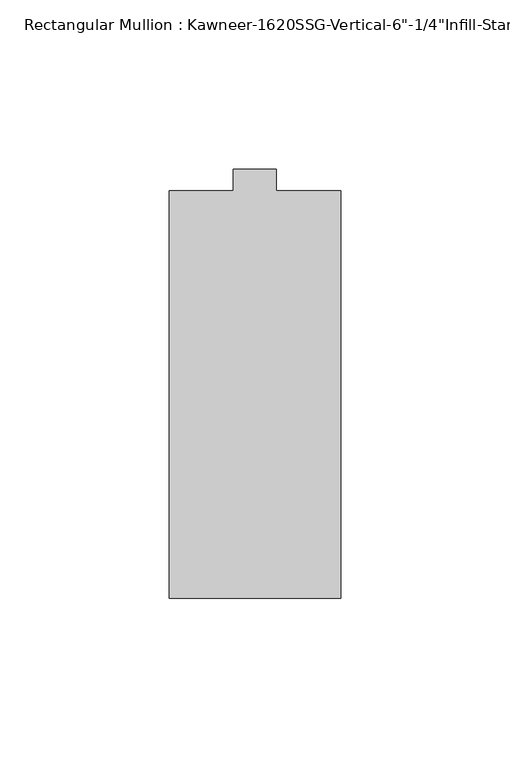
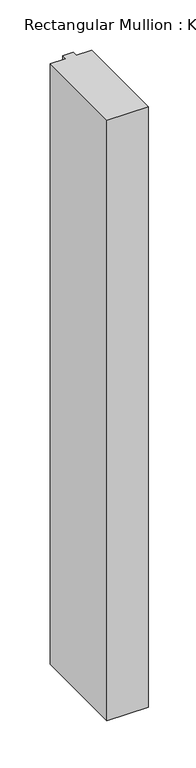
"""IFC4 building model written with IfcOpenShell, lengths in millimetres: member geometry."""

from ifc_helpers import new_model, si_unit, frame, origin, place, context, project, spatial, polyline, outline, extrude, source, transform, mapped, element, save


def member_73ac21db(model_context):
    return source(origin(), model_context, "Body", "SweptSolid", [
        extrude(outline(polyline([(25.4, -123.825), (-25.4, -123.825), (-25.4, -3.175), (-6.35, -3.175), (-6.35, 3.175), (6.35, 3.175), (6.35, -3.175), (25.4, -3.175), (25.4, -123.825)])), frame((0.0, 0.0, -777.875), z_axis=(0.0, 0.0, 1.0), x_axis=(1.0, 0.0, 0.0)), (0.0, 0.0, 1.0), 777.875),
    ])


if __name__ == "__main__":
    model = new_model("IFC4")
    model_context = context("Model", 3, world=origin())
    ifc_project = project(units=[si_unit("LENGTHUNIT", "METRE", prefix="MILLI")], contexts=[model_context])
    site = spatial("IfcSite", under=ifc_project)
    building = spatial("IfcBuilding", under=site)
    placement = place(None, origin())
    member_shape = member_73ac21db(model_context)
    element("IfcMember", 1, ObjectType="Rectangular Mullion : Kawneer-1620SSG-Vertical-6\"-1/4\"Infill-Standard", at=placement, inside=building, context=model_context, shape_type="MappedRepresentation", body=[
        mapped(member_shape, transform((0.0, 0.0, 0.0), x_axis=(1.0, 0.0, 0.0), y_axis=(0.0, 1.0, 0.0), z_axis=(0.0, 0.0, 1.0))),
    ])
    save(model, "model.ifc")
